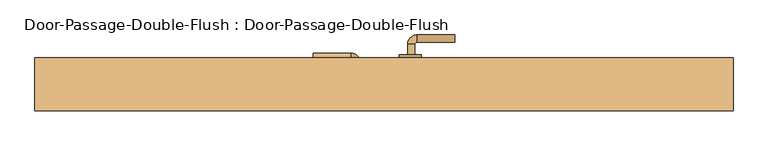
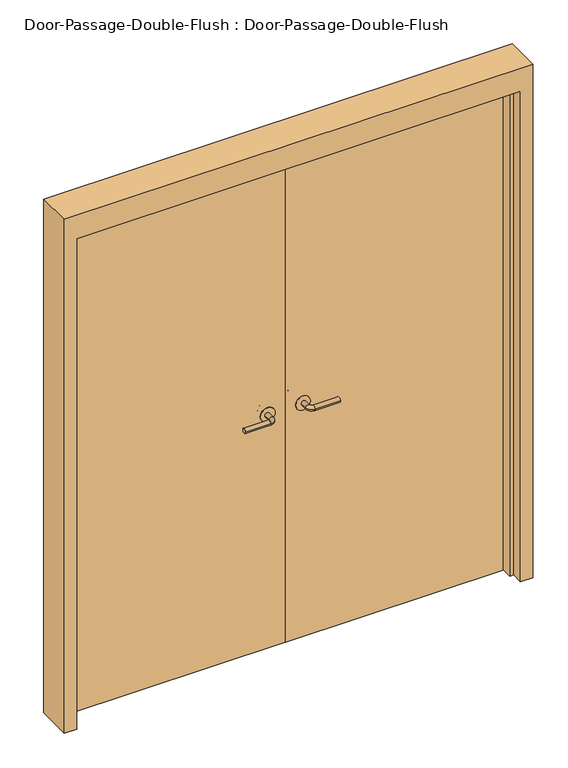
"""IFC4 building model written with IfcOpenShell, lengths in millimetres: door geometry, Door-Passage-Double-Flush : Door-Passage-Double-Flush."""

from ifc_helpers import new_model, si_unit, point, frame, frame_2d, origin, origin_with_axes, place, context, project, spatial, polyline, circle_curve, ellipse_curve, trimmed, segment, composite_curve, outline, extrude, faceted_brep, source, transform, mapped, element, save
from ifc_brep_helpers import plane_surface, cylinder_surface, revolved_surface, advanced_brep


def door_passage_double_flush_door_passage_double_flush_21836239(model_context):
    return source(origin(), model_context, "Body", "SolidModel", [
        advanced_brep(
        [(-65.009375, 80.9, 1016.0), (-85.009375, 80.9, 1016.0), (-65.009375, 50.9, 1016.0), (-85.009375, 50.9, 1016.0), (-90.009375, 45.9, 1016.0), (-90.009375, 25.9, 1016.0), (-195.009375, 25.9, 1016.0), (-195.009375, 45.9, 1016.0)],
        [
            (0, 1, circle_curve(frame((-75.009375, 80.9, 1016.0), z_axis=(0.0, 1.0, 0.0), x_axis=(-1.0, 0.0, 0.0)), 10.0)),
            (1, 0, circle_curve(frame((-75.009375, 80.9, 1016.0), z_axis=(0.0, 1.0, 0.0), x_axis=(-1.0, 0.0, 0.0)), 10.0)),
            (0, 2),
            (2, 3, circle_curve(frame((-75.009375, 50.9, 1016.0), z_axis=(0.0, 1.0, 0.0), x_axis=(-1.0, 0.0, 0.0)), 10.0)),
            (3, 1),
            (3, 2, circle_curve(frame((-75.009375, 50.9, 1016.0), z_axis=(0.0, 1.0, 0.0), x_axis=(-1.0, 0.0, 0.0)), 10.0)),
            (4, 3, circle_curve(frame((-90.009375, 50.9, 1016.0), z_axis=(0.0, 0.0, 1.0), x_axis=(1.0, 0.0, 0.0)), 5.0)),
            (2, 5, circle_curve(frame((-90.009375, 50.9, 1016.0), z_axis=(0.0, 0.0, -1.0), x_axis=(1.0, 0.0, 0.0)), 25.0)),
            (5, 4, circle_curve(frame((-90.009375, 35.9, 1016.0), z_axis=(1.0, 0.0, 0.0), x_axis=(0.0, 1.0, 0.0)), 10.0)),
            (4, 5, circle_curve(frame((-90.009375, 35.9, 1016.0), z_axis=(1.0, 0.0, 0.0), x_axis=(0.0, 1.0, 0.0)), 10.0)),
            (6, 7, circle_curve(frame((-195.009375, 35.9, 1016.0), z_axis=(-1.0, 0.0, 0.0), x_axis=(0.0, 1.0, 0.0)), 10.0)),
            (7, 6, circle_curve(frame((-195.009375, 35.9, 1016.0), z_axis=(-1.0, 0.0, 0.0), x_axis=(0.0, 1.0, 0.0)), 10.0)),
            (5, 6),
            (7, 4),
        ],
        [
            plane_surface(frame((-75.009375, 80.9, 1016.0), z_axis=(0.0, 1.0, 0.0), x_axis=(0.0, 0.0, 1.0))),
            cylinder_surface(frame((-75.009375, 80.9, 1016.0), z_axis=(0.0, 1.0, 0.0), x_axis=(-1.0, 0.0, 0.0)), 10.0),
            revolved_surface(trimmed(ellipse_curve(frame((-75.009375, 50.9, 1016.0), z_axis=(0.0, 1.0, 0.0), x_axis=(-1.0, 0.0, 0.0)), 10.0, 10.0), [point((-65.009375, 50.9, 1016.0))], [point((-85.009375, 50.9, 1016.0))], True, "CARTESIAN"), (-90.009375, 50.9, 1016.0), (0.0, 0.0, -1.0)),
            revolved_surface(trimmed(ellipse_curve(frame((-75.009375, 50.9, 1016.0), z_axis=(0.0, 1.0, 0.0), x_axis=(-1.0, 0.0, 0.0)), 10.0, 10.0), [point((-85.009375, 50.9, 1016.0))], [point((-65.009375, 50.9, 1016.0))], True, "CARTESIAN"), (-90.009375, 50.9, 1016.0), (0.0, 0.0, -1.0)),
            plane_surface(frame((-195.009375, 35.9, 1016.0), z_axis=(-1.0, 0.0, 0.0), x_axis=(0.0, 0.0, 1.0))),
            cylinder_surface(frame((-90.009375, 35.9, 1016.0), z_axis=(1.0, 0.0, 0.0), x_axis=(0.0, 1.0, 0.0)), 10.0),
        ],
        [
            (0, [[1, 2]]),
            (1, [[-1, 3, 4, 5]]),
            (1, [[-2, -5, 6, -3]]),
            (2, [[7, -4, 8, 9]]),
            (3, [[-8, -6, -7, 10]]),
            (4, [[11, 12]]),
            (5, [[-9, 13, -12, 14]]),
            (5, [[-10, -14, -11, -13]]),
        ],
    ),
        extrude(outline(composite_curve([segment(trimmed(circle_curve(frame_2d((1016.0, -72.509375)), 30.0), [point((1016.0, -42.509375))], [point((1016.0, -102.509375))], False, "CARTESIAN"), True, "CONTINUOUS"), segment(trimmed(circle_curve(frame_2d((1016.0, -72.509375)), 30.0), [point((1016.0, -102.509375))], [point((1016.0, -42.509375))], False, "CARTESIAN"), True, "CONTINUOUS")], self_intersect=False)), frame((0.0, 80.9, 0.0), z_axis=(0.0, 1.0, 0.0), x_axis=(0.0, 0.0, 1.0)), (0.0, 0.0, 1.0), 8.0),
        advanced_brep(
        [(-65.009375, 90.55, 1016.0), (-85.009375, 90.55, 1016.0), (-85.009375, 120.55, 1016.0), (-65.009375, 120.55, 1016.0), (-90.009375, 125.55, 1016.0), (-90.009375, 145.55, 1016.0), (-195.009375, 145.55, 1016.0), (-195.009375, 125.55, 1016.0)],
        [
            (0, 1, circle_curve(frame((-75.009375, 90.55, 1016.0), z_axis=(0.0, -1.0, 0.0), x_axis=(-1.0, 0.0, 0.0)), 10.0)),
            (1, 0, circle_curve(frame((-75.009375, 90.55, 1016.0), z_axis=(0.0, -1.0, 0.0), x_axis=(-1.0, 0.0, 0.0)), 10.0)),
            (1, 2),
            (2, 3, circle_curve(frame((-75.009375, 120.55, 1016.0), z_axis=(0.0, -1.0, 0.0), x_axis=(-1.0, 0.0, 0.0)), 10.0)),
            (3, 0),
            (3, 2, circle_curve(frame((-75.009375, 120.55, 1016.0), z_axis=(0.0, -1.0, 0.0), x_axis=(-1.0, 0.0, 0.0)), 10.0)),
            (4, 5, circle_curve(frame((-90.009375, 135.55, 1016.0), z_axis=(1.0, 0.0, 0.0), x_axis=(0.0, -1.0, 0.0)), 10.0)),
            (5, 3, circle_curve(frame((-90.009375, 120.55, 1016.0), z_axis=(0.0, 0.0, -1.0), x_axis=(1.0, 0.0, 0.0)), 25.0)),
            (2, 4, circle_curve(frame((-90.009375, 120.55, 1016.0), z_axis=(0.0, 0.0, 1.0), x_axis=(1.0, 0.0, 0.0)), 5.0)),
            (5, 4, circle_curve(frame((-90.009375, 135.55, 1016.0), z_axis=(1.0, 0.0, 0.0), x_axis=(0.0, -1.0, 0.0)), 10.0)),
            (6, 7, circle_curve(frame((-195.009375, 135.55, 1016.0), z_axis=(-1.0, 0.0, 0.0), x_axis=(0.0, -1.0, 0.0)), 10.0)),
            (7, 6, circle_curve(frame((-195.009375, 135.55, 1016.0), z_axis=(-1.0, 0.0, 0.0), x_axis=(0.0, -1.0, 0.0)), 10.0)),
            (4, 7),
            (6, 5),
        ],
        [
            plane_surface(frame((-75.009375, 90.55, 1016.0), z_axis=(0.0, -1.0, 0.0), x_axis=(0.0, 0.0, 1.0))),
            cylinder_surface(frame((-75.009375, 90.55, 1016.0), z_axis=(0.0, -1.0, 0.0), x_axis=(-1.0, 0.0, 0.0)), 10.0),
            revolved_surface(trimmed(ellipse_curve(frame((-75.009375, 120.55, 1016.0), z_axis=(0.0, 1.0, 0.0), x_axis=(-1.0, 0.0, 0.0)), 10.0, 10.0), [point((-65.009375, 120.55, 1016.0))], [point((-85.009375, 120.55, 1016.0))], True, "CARTESIAN"), (-90.009375, 120.55, 1016.0), (0.0, 0.0, -1.0)),
            revolved_surface(trimmed(ellipse_curve(frame((-75.009375, 120.55, 1016.0), z_axis=(0.0, 1.0, 0.0), x_axis=(-1.0, 0.0, 0.0)), 10.0, 10.0), [point((-85.009375, 120.55, 1016.0))], [point((-65.009375, 120.55, 1016.0))], True, "CARTESIAN"), (-90.009375, 120.55, 1016.0), (0.0, 0.0, -1.0)),
            plane_surface(frame((-195.009375, 135.55, 1016.0), z_axis=(-1.0, 0.0, 0.0), x_axis=(0.0, 0.0, 1.0))),
            cylinder_surface(frame((-90.009375, 135.55, 1016.0), z_axis=(1.0, 0.0, 0.0), x_axis=(0.0, -1.0, 0.0)), 10.0),
        ],
        [
            (0, [[1, 2]]),
            (1, [[3, 4, 5, -2]]),
            (1, [[-5, 6, -3, -1]]),
            (2, [[7, 8, -4, 9]]),
            (3, [[10, -9, -6, -8]]),
            (4, [[11, 12]]),
            (5, [[13, -11, 14, -7]]),
            (5, [[-14, -12, -13, -10]]),
        ],
    ),
        extrude(outline(composite_curve([segment(trimmed(circle_curve(frame_2d((1016.0, -72.509375)), 30.0), [point((1016.0, -42.509375))], [point((1016.0, -102.509375))], False, "CARTESIAN"), True, "CONTINUOUS"), segment(trimmed(circle_curve(frame_2d((1016.0, -72.509375)), 30.0), [point((1016.0, -102.509375))], [point((1016.0, -42.509375))], False, "CARTESIAN"), True, "CONTINUOUS")], self_intersect=False)), frame((0.0, 82.55, 0.0), z_axis=(0.0, 1.0, 0.0), x_axis=(0.0, 0.0, 1.0)), (0.0, 0.0, 1.0), 8.0),
        advanced_brep(
        [(65.009375, 80.9, 1016.0), (85.009375, 80.9, 1016.0), (85.009375, 50.9, 1016.0), (65.009375, 50.9, 1016.0), (90.009375, 45.9, 1016.0), (90.009375, 25.9, 1016.0), (195.009375, 25.9, 1016.0), (195.009375, 45.9, 1016.0)],
        [
            (0, 1, circle_curve(frame((75.009375, 80.9, 1016.0), z_axis=(0.0, 1.0, 0.0), x_axis=(1.0, 0.0, 0.0)), 10.0)),
            (1, 0, circle_curve(frame((75.009375, 80.9, 1016.0), z_axis=(0.0, 1.0, 0.0), x_axis=(1.0, 0.0, 0.0)), 10.0)),
            (1, 2),
            (2, 3, circle_curve(frame((75.009375, 50.9, 1016.0), z_axis=(0.0, 1.0, 0.0), x_axis=(1.0, 0.0, 0.0)), 10.0)),
            (3, 0),
            (3, 2, circle_curve(frame((75.009375, 50.9, 1016.0), z_axis=(0.0, 1.0, 0.0), x_axis=(1.0, 0.0, 0.0)), 10.0)),
            (4, 5, circle_curve(frame((90.009375, 35.9, 1016.0), z_axis=(-1.0, 0.0, 0.0), x_axis=(0.0, 1.0, 0.0)), 10.0)),
            (5, 3, circle_curve(frame((90.009375, 50.9, 1016.0), z_axis=(0.0, 0.0, -1.0), x_axis=(-1.0, 0.0, 0.0)), 25.0)),
            (2, 4, circle_curve(frame((90.009375, 50.9, 1016.0), z_axis=(0.0, 0.0, 1.0), x_axis=(-1.0, 0.0, 0.0)), 5.0)),
            (5, 4, circle_curve(frame((90.009375, 35.9, 1016.0), z_axis=(-1.0, 0.0, 0.0), x_axis=(0.0, 1.0, 0.0)), 10.0)),
            (6, 7, circle_curve(frame((195.009375, 35.9, 1016.0), z_axis=(1.0, 0.0, 0.0), x_axis=(0.0, 1.0, 0.0)), 10.0)),
            (7, 6, circle_curve(frame((195.009375, 35.9, 1016.0), z_axis=(1.0, 0.0, 0.0), x_axis=(0.0, 1.0, 0.0)), 10.0)),
            (4, 7),
            (6, 5),
        ],
        [
            plane_surface(frame((75.009375, 80.9, 1016.0), z_axis=(0.0, 1.0, 0.0), x_axis=(0.0, 0.0, 1.0))),
            cylinder_surface(frame((75.009375, 80.9, 1016.0), z_axis=(0.0, 1.0, 0.0), x_axis=(1.0, 0.0, 0.0)), 10.0),
            revolved_surface(trimmed(ellipse_curve(frame((75.009375, 50.9, 1016.0), z_axis=(0.0, -1.0, 0.0), x_axis=(1.0, 0.0, 0.0)), 10.0, 10.0), [point((65.009375, 50.9, 1016.0))], [point((85.009375, 50.9, 1016.0))], True, "CARTESIAN"), (90.009375, 50.9, 1016.0), (0.0, 0.0, -1.0)),
            revolved_surface(trimmed(ellipse_curve(frame((75.009375, 50.9, 1016.0), z_axis=(0.0, -1.0, 0.0), x_axis=(1.0, 0.0, 0.0)), 10.0, 10.0), [point((85.009375, 50.9, 1016.0))], [point((65.009375, 50.9, 1016.0))], True, "CARTESIAN"), (90.009375, 50.9, 1016.0), (0.0, 0.0, -1.0)),
            plane_surface(frame((195.009375, 35.9, 1016.0), z_axis=(1.0, 0.0, 0.0), x_axis=(0.0, 0.0, 1.0))),
            cylinder_surface(frame((90.009375, 35.9, 1016.0), z_axis=(-1.0, 0.0, 0.0), x_axis=(0.0, 1.0, 0.0)), 10.0),
        ],
        [
            (0, [[1, 2]]),
            (1, [[3, 4, 5, -2]]),
            (1, [[-5, 6, -3, -1]]),
            (2, [[7, 8, -4, 9]]),
            (3, [[10, -9, -6, -8]]),
            (4, [[11, 12]]),
            (5, [[13, -11, 14, -7]]),
            (5, [[-14, -12, -13, -10]]),
        ],
    ),
        extrude(outline(composite_curve([segment(trimmed(circle_curve(frame_2d((1016.0, 72.509375)), 30.0), [point((1016.0, 42.509375))], [point((1016.0, 102.509375))], False, "CARTESIAN"), True, "CONTINUOUS"), segment(trimmed(circle_curve(frame_2d((1016.0, 72.509375)), 30.0), [point((1016.0, 102.509375))], [point((1016.0, 42.509375))], False, "CARTESIAN"), True, "CONTINUOUS")], self_intersect=False)), frame((0.0, 80.9, 0.0), z_axis=(0.0, 1.0, 0.0), x_axis=(0.0, 0.0, 1.0)), (0.0, 0.0, 1.0), 8.0),
        advanced_brep(
        [(65.009375, 141.35, 1016.0), (85.009375, 141.35, 1016.0), (65.009375, 171.35, 1016.0), (85.009375, 171.35, 1016.0), (90.009375, 176.35, 1016.0), (90.009375, 196.35, 1016.0), (195.009375, 196.35, 1016.0), (195.009375, 176.35, 1016.0)],
        [
            (0, 1, circle_curve(frame((75.009375, 141.35, 1016.0), z_axis=(0.0, -1.0, 0.0), x_axis=(1.0, 0.0, 0.0)), 10.0)),
            (1, 0, circle_curve(frame((75.009375, 141.35, 1016.0), z_axis=(0.0, -1.0, 0.0), x_axis=(1.0, 0.0, 0.0)), 10.0)),
            (0, 2),
            (2, 3, circle_curve(frame((75.009375, 171.35, 1016.0), z_axis=(0.0, -1.0, 0.0), x_axis=(1.0, 0.0, 0.0)), 10.0)),
            (3, 1),
            (3, 2, circle_curve(frame((75.009375, 171.35, 1016.0), z_axis=(0.0, -1.0, 0.0), x_axis=(1.0, 0.0, 0.0)), 10.0)),
            (4, 3, circle_curve(frame((90.009375, 171.35, 1016.0), z_axis=(0.0, 0.0, 1.0), x_axis=(-1.0, 0.0, 0.0)), 5.0)),
            (2, 5, circle_curve(frame((90.009375, 171.35, 1016.0), z_axis=(0.0, 0.0, -1.0), x_axis=(-1.0, 0.0, 0.0)), 25.0)),
            (5, 4, circle_curve(frame((90.009375, 186.35, 1016.0), z_axis=(-1.0, 0.0, 0.0), x_axis=(0.0, -1.0, 0.0)), 10.0)),
            (4, 5, circle_curve(frame((90.009375, 186.35, 1016.0), z_axis=(-1.0, 0.0, 0.0), x_axis=(0.0, -1.0, 0.0)), 10.0)),
            (6, 7, circle_curve(frame((195.009375, 186.35, 1016.0), z_axis=(1.0, 0.0, 0.0), x_axis=(0.0, -1.0, 0.0)), 10.0)),
            (7, 6, circle_curve(frame((195.009375, 186.35, 1016.0), z_axis=(1.0, 0.0, 0.0), x_axis=(0.0, -1.0, 0.0)), 10.0)),
            (5, 6),
            (7, 4),
        ],
        [
            plane_surface(frame((75.009375, 141.35, 1016.0), z_axis=(0.0, -1.0, 0.0), x_axis=(0.0, 0.0, 1.0))),
            cylinder_surface(frame((75.009375, 141.35, 1016.0), z_axis=(0.0, -1.0, 0.0), x_axis=(1.0, 0.0, 0.0)), 10.0),
            revolved_surface(trimmed(ellipse_curve(frame((75.009375, 171.35, 1016.0), z_axis=(0.0, -1.0, 0.0), x_axis=(1.0, 0.0, 0.0)), 10.0, 10.0), [point((65.009375, 171.35, 1016.0))], [point((85.009375, 171.35, 1016.0))], True, "CARTESIAN"), (90.009375, 171.35, 1016.0), (0.0, 0.0, -1.0)),
            revolved_surface(trimmed(ellipse_curve(frame((75.009375, 171.35, 1016.0), z_axis=(0.0, -1.0, 0.0), x_axis=(1.0, 0.0, 0.0)), 10.0, 10.0), [point((85.009375, 171.35, 1016.0))], [point((65.009375, 171.35, 1016.0))], True, "CARTESIAN"), (90.009375, 171.35, 1016.0), (0.0, 0.0, -1.0)),
            plane_surface(frame((195.009375, 186.35, 1016.0), z_axis=(1.0, 0.0, 0.0), x_axis=(0.0, 0.0, 1.0))),
            cylinder_surface(frame((90.009375, 186.35, 1016.0), z_axis=(-1.0, 0.0, 0.0), x_axis=(0.0, -1.0, 0.0)), 10.0),
        ],
        [
            (0, [[1, 2]]),
            (1, [[-1, 3, 4, 5]]),
            (1, [[-2, -5, 6, -3]]),
            (2, [[7, -4, 8, 9]]),
            (3, [[-8, -6, -7, 10]]),
            (4, [[11, 12]]),
            (5, [[-9, 13, -12, 14]]),
            (5, [[-10, -14, -11, -13]]),
        ],
    ),
        extrude(outline(composite_curve([segment(trimmed(circle_curve(frame_2d((1016.0, 72.509375)), 30.0), [point((1016.0, 42.509375))], [point((1016.0, 102.509375))], False, "CARTESIAN"), True, "CONTINUOUS"), segment(trimmed(circle_curve(frame_2d((1016.0, 72.509375)), 30.0), [point((1016.0, 102.509375))], [point((1016.0, 42.509375))], False, "CARTESIAN"), True, "CONTINUOUS")], self_intersect=False)), frame((0.0, 133.35, 0.0), z_axis=(0.0, 1.0, 0.0), x_axis=(0.0, 0.0, 1.0)), (0.0, 0.0, 1.0), 8.0),
        faceted_brep([(914.4, 84.1375, 0.0), (914.4, 133.35, 0.0), (965.2, 133.35, 0.0), (965.2, -12.7, 0.0), (914.4, -12.7, 0.0), (914.4, 36.5125, 0.0), (898.525, 36.5125, 0.0), (898.525, 84.1375, 0.0), (914.4, 84.1375, 2133.6), (914.4, 133.35, 2133.6), (-914.4, 133.35, 2133.6), (-914.4, 133.35, 0.0), (-965.2, 133.35, 0.0), (-965.2, 133.35, 2235.2), (965.2, 133.35, 2235.2), (965.2, -12.7, 2235.2), (-965.2, -12.7, 2235.2), (-965.2, -12.7, 0.0), (-914.4, -12.7, 0.0), (-914.4, -12.7, 2133.6), (914.4, -12.7, 2133.6), (914.4, 36.5125, 2133.6), (-914.4, 36.5125, 2133.6), (-914.4, 36.5125, 0.0), (-898.525, 36.5125, 0.0), (-898.525, 36.5125, 2117.725), (898.525, 36.5125, 2117.725), (898.525, 84.1375, 2117.725), (-898.525, 84.1375, 2117.725), (-898.525, 84.1375, 0.0), (-914.4, 84.1375, 0.0), (-914.4, 84.1375, 2133.6)], [[[0, 1, 2, 3, 4, 5, 6, 7]], [[1, 0, 8, 9]], [[2, 1, 9, 10, 11, 12, 13, 14]], [[3, 2, 14, 15]], [[4, 3, 15, 16, 17, 18, 19, 20]], [[5, 4, 20, 21]], [[6, 5, 21, 22, 23, 24, 25, 26]], [[7, 6, 26, 27]], [[0, 7, 27, 28, 29, 30, 31, 8]], [[9, 8, 31, 10]], [[20, 19, 22, 21]], [[26, 25, 28, 27]], [[12, 11, 30, 29, 24, 23, 18, 17]], [[11, 10, 31, 30]], [[13, 12, 17, 16]], [[19, 18, 23, 22]], [[25, 24, 29, 28]], [[15, 14, 13, 16]]]),
        extrude(outline(polyline([(914.4, 82.55), (1.5875, 82.55), (1.5875, 88.9), (914.4, 88.9), (914.4, 82.55)])), origin_with_axes(), (0.0, 0.0, 1.0), 2133.6),
        extrude(outline(polyline([(-1.5875, 82.55), (-914.4, 82.55), (-914.4, 88.9), (-1.5875, 88.9), (-1.5875, 82.55)])), origin_with_axes(), (0.0, 0.0, 1.0), 2133.6),
    ])


if __name__ == "__main__":
    model = new_model("IFC4")
    model_context = context("Model", 3, world=origin())
    ifc_project = project(units=[si_unit("LENGTHUNIT", "METRE", prefix="MILLI")], contexts=[model_context])
    site = spatial("IfcSite", under=ifc_project)
    building = spatial("IfcBuilding", under=site)
    placement = place(None, origin())
    door_passage_double_flush_door_passage_double_flush_shape = door_passage_double_flush_door_passage_double_flush_21836239(model_context)
    element("IfcDoor", 1, ObjectType="Door-Passage-Double-Flush : Door-Passage-Double-Flush", at=placement, inside=building, context=model_context, shape_type="MappedRepresentation", body=[
        mapped(door_passage_double_flush_door_passage_double_flush_shape, transform((0.0, 0.0, 0.0), x_axis=(1.0, 0.0, 0.0), y_axis=(0.0, 1.0, 0.0), z_axis=(0.0, 0.0, 1.0))),
    ])
    save(model, "model.ifc")
